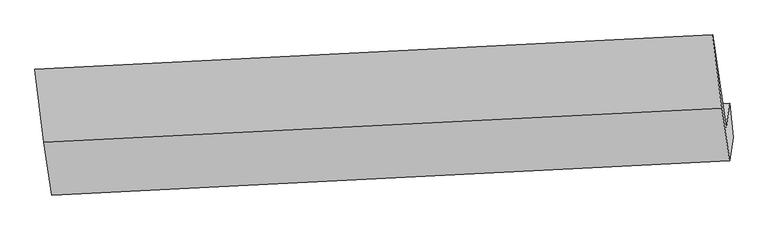
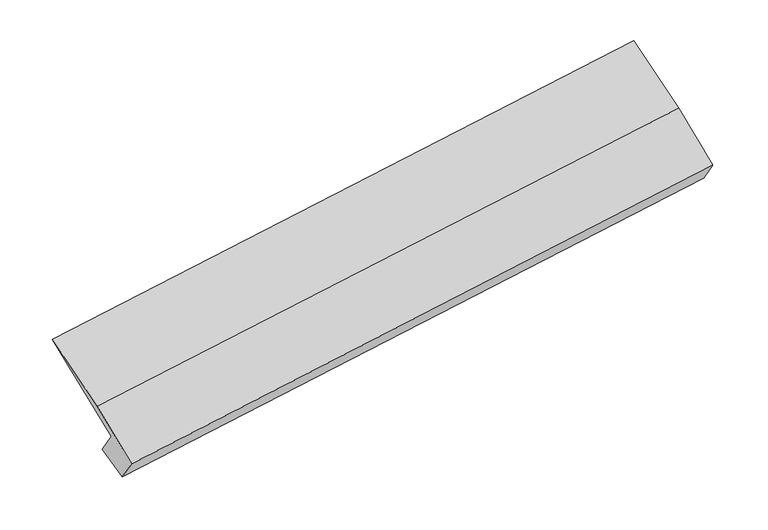
"""IFC4 building model written with IfcOpenShell, lengths in millimetres: proxy geometry."""

from ifc_helpers import new_model, si_unit, origin, place, context, project, spatial, faceted_brep, source, transform, mapped, element, save


def generic_models_8cd89020(model_context):
    return source(origin(), model_context, "Body", "Brep", [
        faceted_brep([(-6176.3359564, -1588.9259996, 1121.4536908), (-6209.9492288, -1824.6217326, 1430.3918463), (502.1867763, -1486.7800713, 2418.4365032), (535.8000487, -1251.0843383, 2109.4983477), (-6142.1464114, -1925.4553154, 988.2789201), (569.9895937, -1587.6136541, 1976.323577), (-6175.621753, -2160.1838798, 1295.9493595), (536.5142521, -1822.3422185, 2283.9940164), (-6255.1561356, -1636.1684068, 1687.0787748), (456.9798696, -1298.3267455, 2675.1234317), (-6343.3141113, -912.4912548, 2075.7356536), (368.8218938, -574.6495935, 3063.7803105)], [[[0, 1, 2, 3]], [[4, 0, 3, 5]], [[6, 4, 5, 7]], [[8, 6, 7, 9]], [[10, 8, 9, 11]], [[1, 10, 11, 2]], [[9, 7, 5, 3, 2, 11]], [[1, 0, 4, 6, 8, 10]]]),
    ])


if __name__ == "__main__":
    model = new_model("IFC4")
    model_context = context("Model", 3, world=origin())
    ifc_project = project(units=[si_unit("LENGTHUNIT", "METRE", prefix="MILLI")], contexts=[model_context])
    site = spatial("IfcSite", under=ifc_project)
    building = spatial("IfcBuilding", under=site)
    placement = place(None, origin())
    generic_models_shape = generic_models_8cd89020(model_context)
    element("IfcBuildingElementProxy", 1, Name="Generic Models", at=placement, inside=building, context=model_context, shape_type="MappedRepresentation", body=[
        mapped(generic_models_shape, transform((0.0, 0.0, 0.0), x_axis=(1.0, 0.0, 0.0), y_axis=(0.0, 1.0, 0.0), z_axis=(0.0, 0.0, 1.0))),
    ])
    save(model, "model.ifc")
